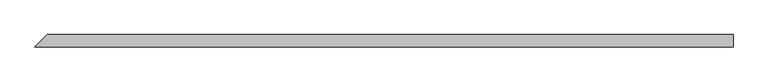
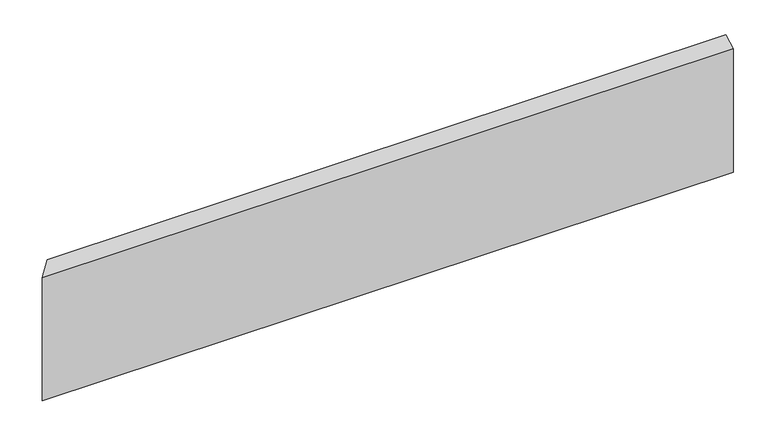
"""IFC4 building model written with IfcOpenShell, lengths in millimetres: beam geometry."""

import ifcopenshell
import ifcopenshell.guid

model = None  # the IFC model being written
_history = None  # IfcOwnerHistory: only IFC2X3 demands one
_inside = {}  # id of a spatial element -> (the spatial element, [elements in it])
_under = {}  # id of a project, library or spatial element -> (it, [spatial elements below it])
_declared = {}  # id of a project -> (the project, [libraries it declares])
_typed = {}  # id of a type object -> (the type object, [elements of that type])
_made_of = {}  # id of a material, layer set ... -> (it, [elements and type objects made of it])


def new_model(schema):
    """Start an empty IFC model of exactly this schema.

    Asked for "IFC4X3", IfcOpenShell would pick the latest addendum, in which some entities
    have other attributes; the version numbers below select the first issue.
    IFC2X3 requires an IfcOwnerHistory on every rooted entity: one is made here for all.
    """
    global model, _history
    if schema == "IFC4X3":
        model = ifcopenshell.file(schema_version=(4, 3, 0, 0))
    else:
        model = ifcopenshell.file(schema=schema)
    _inside.clear()
    _under.clear()
    _declared.clear()
    _typed.clear()
    _made_of.clear()
    _history = None
    if model.schema == "IFC2X3":
        org = make("IfcOrganization", Name="unknown")
        user = make(
            "IfcPersonAndOrganization",
            ThePerson=make("IfcPerson", FamilyName="unknown"),
            TheOrganization=org,
        )
        app = make(
            "IfcApplication",
            ApplicationDeveloper=org,
            Version="unknown",
            ApplicationFullName="unknown",
            ApplicationIdentifier="unknown",
        )
        _history = make(
            "IfcOwnerHistory",
            OwningUser=user,
            OwningApplication=app,
            ChangeAction="ADDED",
            CreationDate=0,
        )
    return model


def make(cls, **values):
    """One entity of the class cls with the attributes given. An attribute that is None is left unset."""
    return model.create_entity(
        cls, **{name: value for name, value in values.items() if value is not None}
    )


def rooted(cls, **values):
    """An entity with a GlobalId (a new one), such as an element, a storey or a relation."""
    return make(cls, GlobalId=ifcopenshell.guid.new(), OwnerHistory=_history, **values)


def si_unit(unit_type, name, prefix=None):
    """IfcSIUnit, for example si_unit("LENGTHUNIT", "METRE", prefix="MILLI")."""
    return make("IfcSIUnit", UnitType=unit_type, Prefix=prefix, Name=name)


def assignment(units):
    """IfcUnitAssignment: the units of a project."""
    return None if units is None else make("IfcUnitAssignment", Units=units)


def point(xyz):
    """IfcCartesianPoint."""
    return None if xyz is None else make("IfcCartesianPoint", Coordinates=xyz)


def direction(xyz):
    """IfcDirection."""
    return None if xyz is None else make("IfcDirection", DirectionRatios=xyz)


def frame(location, z_axis=None, x_axis=None):
    """IfcAxis2Placement3D, a coordinate frame: its origin and axes. An axis left out is left unset."""
    return make(
        "IfcAxis2Placement3D",
        Location=point(location),
        Axis=direction(z_axis),
        RefDirection=direction(x_axis),
    )


def origin():
    """The frame at (0, 0, 0) with its axes left unset."""
    return frame((0.0, 0.0, 0.0))


def place(relative_to, where):
    """IfcLocalPlacement: puts the frame where relative to a parent placement (None: the world)."""
    return make(
        "IfcLocalPlacement", PlacementRelTo=relative_to, RelativePlacement=where
    )


def context(
    kind, dimensions, precision=None, world=None, true_north=None, identifier=None
):
    """IfcGeometricRepresentationContext, for example the 3D "Model" context."""
    return make(
        "IfcGeometricRepresentationContext",
        ContextIdentifier=identifier,
        ContextType=kind,
        CoordinateSpaceDimension=dimensions,
        Precision=precision,
        WorldCoordinateSystem=world,
        TrueNorth=true_north,
    )


def project(units=None, contexts=None):
    """IfcProject with its units and contexts."""
    return rooted(
        "IfcProject",
        Name="project",
        RepresentationContexts=contexts,
        UnitsInContext=assignment(units),
    )


def spatial(cls, under=None, at=None, **own):
    """A site, building, storey or space (cls), placed at a placement, below another one or the project."""
    s = rooted(cls, ObjectPlacement=at, **own)
    if under is not None:
        _under.setdefault(under.id(), (under, []))[1].append(s)
    return s


def faces_of(points, faces, orient=None, outer=None):
    """IfcFace entities. A face is a list of loops; a loop is a list of indices into points, from 0.

    orient and outer hold one flag for each loop. By default every Orientation is true, the
    first loop of a face is its IfcFaceOuterBound and the others are IfcFaceBound.
    """
    made = []
    for i, loops in enumerate(faces):
        bounds = []
        for j, loop in enumerate(loops):
            is_outer = j == 0 if outer is None else outer[i][j]
            bounds.append(
                make(
                    "IfcFaceOuterBound" if is_outer else "IfcFaceBound",
                    Bound=make("IfcPolyLoop", Polygon=[points[k] for k in loop]),
                    Orientation=True if orient is None else orient[i][j],
                )
            )
        made.append(make("IfcFace", Bounds=bounds))
    return made


def faceted_brep(points, faces, orient=None, outer=None, voids=None):
    """IfcFacetedBrep: a solid bounded by flat faces; with voids (closed shells), ...WithVoids."""
    shared = [point(p) for p in points]
    hull = make("IfcClosedShell", CfsFaces=faces_of(shared, faces, orient, outer))
    if voids is None:
        return make("IfcFacetedBrep", Outer=hull)
    return make(
        "IfcFacetedBrepWithVoids",
        Outer=hull,
        Voids=[
            make(cls, CfsFaces=faces_of(shared, fs, o, b)) for cls, fs, o, b in voids
        ],
    )


def shape(context_of_items, identifier, shape_type, items):
    """IfcShapeRepresentation: the items that make up one representation, for example the "Body"."""
    return make(
        "IfcShapeRepresentation",
        ContextOfItems=context_of_items,
        RepresentationIdentifier=identifier,
        RepresentationType=shape_type,
        Items=items,
    )


def source(mapping_origin, context_of_items, identifier, shape_type, items):
    """IfcRepresentationMap: a shape defined once, which mapped items show again and again."""
    return make(
        "IfcRepresentationMap",
        MappingOrigin=mapping_origin,
        MappedRepresentation=shape(context_of_items, identifier, shape_type, items),
    )


def transform(
    local_origin,
    x_axis=None,
    y_axis=None,
    z_axis=None,
    scale=None,
    scale2=None,
    scale3=None,
    uniform=True,
):
    """IfcCartesianTransformationOperator3D, or its non-uniform kind. x_axis, y_axis, z_axis: its Axis1, 2, 3."""
    if uniform:
        return make(
            "IfcCartesianTransformationOperator3D",
            Axis1=direction(x_axis),
            Axis2=direction(y_axis),
            LocalOrigin=point(local_origin),
            Scale=scale,
            Axis3=direction(z_axis),
        )
    return make(
        "IfcCartesianTransformationOperator3DnonUniform",
        Axis1=direction(x_axis),
        Axis2=direction(y_axis),
        LocalOrigin=point(local_origin),
        Scale=scale,
        Axis3=direction(z_axis),
        Scale2=scale2,
        Scale3=scale3,
    )


def mapped(mapping_source, mapping_target):
    """IfcMappedItem: shows the shape of a source again, moved by a transform."""
    return make(
        "IfcMappedItem", MappingSource=mapping_source, MappingTarget=mapping_target
    )


def made_of(thing, what):
    """Note that an element or type object is made of a material, layer set ...; save() writes the relation."""
    if what is not None:
        _made_of.setdefault(what.id(), (what, []))[1].append(thing)
    return thing


def element(
    cls,
    number,
    at=None,
    inside=None,
    cuts=None,
    type_object=None,
    material=None,
    context=None,
    identifier="Body",
    shape_type=None,
    held_by="IfcProductDefinitionShape",
    body=None,
    shapes=None,
    **own,
):
    """One element of the class cls, such as IfcWall. Its Tag is "e" and its number.

    at: its placement. inside: the storey or other place that contains it. cuts: it is an
    opening in that element (IfcRelVoidsElement). A single representation is given by context,
    identifier, shape_type and body (its items); several are given by shapes. held_by: the class
    of the entity that holds the representations. save() writes the other relations.
    """
    e = rooted(cls, Tag="e%d" % number, ObjectPlacement=at, **own)
    if body is not None:
        shapes = [shape(context, identifier, shape_type, body)]
    if shapes is not None:
        e.Representation = make(held_by, Representations=shapes)
    if inside is not None:
        _inside.setdefault(inside.id(), (inside, []))[1].append(e)
    if cuts is not None:
        rooted(
            "IfcRelVoidsElement", RelatingBuildingElement=cuts, RelatedOpeningElement=e
        )
    if type_object is not None:
        _typed.setdefault(type_object.id(), (type_object, []))[1].append(e)
    return made_of(e, material)


def aggregate(whole, parts):
    """IfcRelAggregates: a whole, such as a stair, and the parts it consists of."""
    return rooted("IfcRelAggregates", RelatingObject=whole, RelatedObjects=parts)


def save(model, path):
    """Write the relations noted so far, then the file.

    IfcRelAggregates (storeys below a building ...), IfcRelContainedInSpatialStructure (elements
    in a storey), IfcRelDefinesByType, IfcRelAssociatesMaterial and IfcRelDeclares: one each for
    every whole, place, type object, material and project.
    """
    for whole, parts in _under.values():
        aggregate(whole, parts)
    for where, things in _inside.values():
        rooted(
            "IfcRelContainedInSpatialStructure",
            RelatedElements=things,
            RelatingStructure=where,
        )
    for kind, things in _typed.values():
        rooted("IfcRelDefinesByType", RelatedObjects=things, RelatingType=kind)
    for what, things in _made_of.values():
        rooted("IfcRelAssociatesMaterial", RelatedObjects=things, RelatingMaterial=what)
    for by, libraries in _declared.values():
        rooted("IfcRelDeclares", RelatingContext=by, RelatedDefinitions=libraries)
    model.write(path)


def beam_89dfcae1(model_context):
    return source(origin(), model_context, "Body", "Brep", [
        faceted_brep([(608.61369, -11.0, 109.3536999), (-619.61369, -11.0, 109.3536999), (-619.61369, -11.0, -122.1870332), (608.61369, -11.0, -122.1870332), (608.61369, 11.0, 122.1870332), (608.61369, 11.0, -109.3536999), (-597.61369, 11.0, -109.3536999), (-597.61369, 11.0, 122.1870332)], [[[0, 1, 2, 3]], [[4, 5, 6, 7]], [[5, 4, 0, 3]], [[6, 5, 3, 2]], [[7, 6, 2, 1]], [[4, 7, 1, 0]]]),
    ])


if __name__ == "__main__":
    model = new_model("IFC4")
    model_context = context("Model", 3, world=origin())
    ifc_project = project(units=[si_unit("LENGTHUNIT", "METRE", prefix="MILLI")], contexts=[model_context])
    site = spatial("IfcSite", under=ifc_project)
    building = spatial("IfcBuilding", under=site)
    placement = place(None, origin())
    beam_shape = beam_89dfcae1(model_context)
    element("IfcBeam", 1, at=placement, inside=building, context=model_context, shape_type="MappedRepresentation", body=[
        mapped(beam_shape, transform((0.0, 0.0, 0.0), x_axis=(1.0, 0.0, 0.0), y_axis=(0.0, 1.0, 0.0), z_axis=(0.0, 0.0, 1.0))),
    ])
    save(model, "model.ifc")
